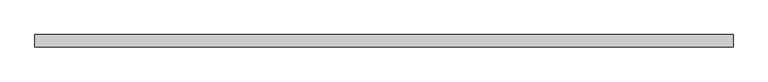
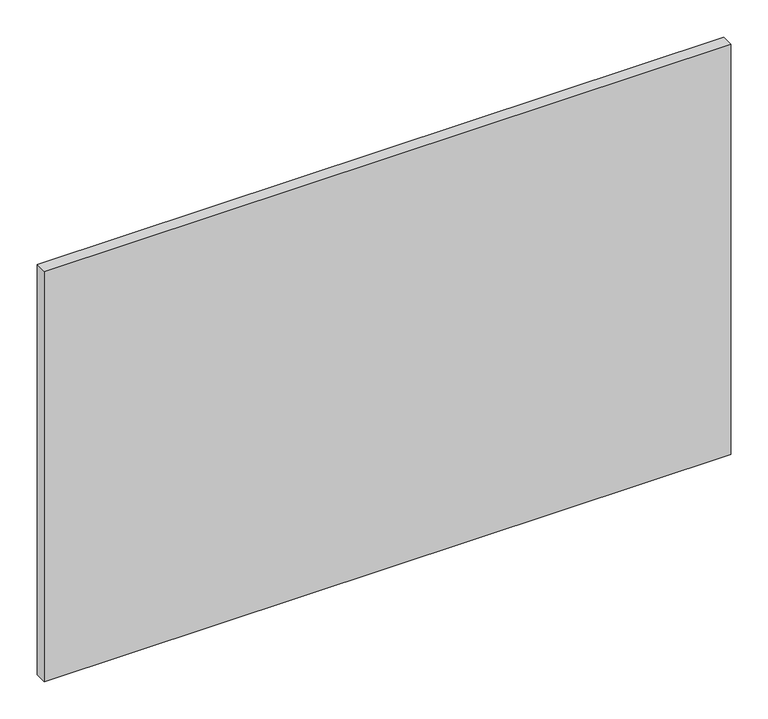
"""IFC4 building model written with IfcOpenShell, lengths in millimetres: proxy geometry."""

import ifcopenshell
import ifcopenshell.guid

model = None  # the IFC model being written
_history = None  # IfcOwnerHistory: only IFC2X3 demands one
_inside = {}  # id of a spatial element -> (the spatial element, [elements in it])
_under = {}  # id of a project, library or spatial element -> (it, [spatial elements below it])
_declared = {}  # id of a project -> (the project, [libraries it declares])
_typed = {}  # id of a type object -> (the type object, [elements of that type])
_made_of = {}  # id of a material, layer set ... -> (it, [elements and type objects made of it])


def new_model(schema):
    """Start an empty IFC model of exactly this schema.

    Asked for "IFC4X3", IfcOpenShell would pick the latest addendum, in which some entities
    have other attributes; the version numbers below select the first issue.
    IFC2X3 requires an IfcOwnerHistory on every rooted entity: one is made here for all.
    """
    global model, _history
    if schema == "IFC4X3":
        model = ifcopenshell.file(schema_version=(4, 3, 0, 0))
    else:
        model = ifcopenshell.file(schema=schema)
    _inside.clear()
    _under.clear()
    _declared.clear()
    _typed.clear()
    _made_of.clear()
    _history = None
    if model.schema == "IFC2X3":
        org = make("IfcOrganization", Name="unknown")
        user = make(
            "IfcPersonAndOrganization",
            ThePerson=make("IfcPerson", FamilyName="unknown"),
            TheOrganization=org,
        )
        app = make(
            "IfcApplication",
            ApplicationDeveloper=org,
            Version="unknown",
            ApplicationFullName="unknown",
            ApplicationIdentifier="unknown",
        )
        _history = make(
            "IfcOwnerHistory",
            OwningUser=user,
            OwningApplication=app,
            ChangeAction="ADDED",
            CreationDate=0,
        )
    return model


def make(cls, **values):
    """One entity of the class cls with the attributes given. An attribute that is None is left unset."""
    return model.create_entity(
        cls, **{name: value for name, value in values.items() if value is not None}
    )


def rooted(cls, **values):
    """An entity with a GlobalId (a new one), such as an element, a storey or a relation."""
    return make(cls, GlobalId=ifcopenshell.guid.new(), OwnerHistory=_history, **values)


def si_unit(unit_type, name, prefix=None):
    """IfcSIUnit, for example si_unit("LENGTHUNIT", "METRE", prefix="MILLI")."""
    return make("IfcSIUnit", UnitType=unit_type, Prefix=prefix, Name=name)


def assignment(units):
    """IfcUnitAssignment: the units of a project."""
    return None if units is None else make("IfcUnitAssignment", Units=units)


def point(xyz):
    """IfcCartesianPoint."""
    return None if xyz is None else make("IfcCartesianPoint", Coordinates=xyz)


def direction(xyz):
    """IfcDirection."""
    return None if xyz is None else make("IfcDirection", DirectionRatios=xyz)


def frame(location, z_axis=None, x_axis=None):
    """IfcAxis2Placement3D, a coordinate frame: its origin and axes. An axis left out is left unset."""
    return make(
        "IfcAxis2Placement3D",
        Location=point(location),
        Axis=direction(z_axis),
        RefDirection=direction(x_axis),
    )


def origin():
    """The frame at (0, 0, 0) with its axes left unset."""
    return frame((0.0, 0.0, 0.0))


def place(relative_to, where):
    """IfcLocalPlacement: puts the frame where relative to a parent placement (None: the world)."""
    return make(
        "IfcLocalPlacement", PlacementRelTo=relative_to, RelativePlacement=where
    )


def context(
    kind, dimensions, precision=None, world=None, true_north=None, identifier=None
):
    """IfcGeometricRepresentationContext, for example the 3D "Model" context."""
    return make(
        "IfcGeometricRepresentationContext",
        ContextIdentifier=identifier,
        ContextType=kind,
        CoordinateSpaceDimension=dimensions,
        Precision=precision,
        WorldCoordinateSystem=world,
        TrueNorth=true_north,
    )


def project(units=None, contexts=None):
    """IfcProject with its units and contexts."""
    return rooted(
        "IfcProject",
        Name="project",
        RepresentationContexts=contexts,
        UnitsInContext=assignment(units),
    )


def spatial(cls, under=None, at=None, **own):
    """A site, building, storey or space (cls), placed at a placement, below another one or the project."""
    s = rooted(cls, ObjectPlacement=at, **own)
    if under is not None:
        _under.setdefault(under.id(), (under, []))[1].append(s)
    return s


def polyline(points):
    """IfcPolyline through the points."""
    return make("IfcPolyline", Points=[point(p) for p in points])


def outline(outer, holes=None, kind="AREA"):
    """IfcArbitraryClosedProfileDef: a profile drawn as a closed curve; with holes, ...WithVoids."""
    if holes is None:
        return make("IfcArbitraryClosedProfileDef", ProfileType=kind, OuterCurve=outer)
    return make(
        "IfcArbitraryProfileDefWithVoids",
        ProfileType=kind,
        OuterCurve=outer,
        InnerCurves=holes,
    )


def extrude(swept, where, along, depth):
    """IfcExtrudedAreaSolid: the profile swept, set in the frame where, extruded along a direction by depth."""
    return make(
        "IfcExtrudedAreaSolid",
        SweptArea=swept,
        Position=where,
        ExtrudedDirection=direction(along),
        Depth=depth,
    )


def shape(context_of_items, identifier, shape_type, items):
    """IfcShapeRepresentation: the items that make up one representation, for example the "Body"."""
    return make(
        "IfcShapeRepresentation",
        ContextOfItems=context_of_items,
        RepresentationIdentifier=identifier,
        RepresentationType=shape_type,
        Items=items,
    )


def source(mapping_origin, context_of_items, identifier, shape_type, items):
    """IfcRepresentationMap: a shape defined once, which mapped items show again and again."""
    return make(
        "IfcRepresentationMap",
        MappingOrigin=mapping_origin,
        MappedRepresentation=shape(context_of_items, identifier, shape_type, items),
    )


def transform(
    local_origin,
    x_axis=None,
    y_axis=None,
    z_axis=None,
    scale=None,
    scale2=None,
    scale3=None,
    uniform=True,
):
    """IfcCartesianTransformationOperator3D, or its non-uniform kind. x_axis, y_axis, z_axis: its Axis1, 2, 3."""
    if uniform:
        return make(
            "IfcCartesianTransformationOperator3D",
            Axis1=direction(x_axis),
            Axis2=direction(y_axis),
            LocalOrigin=point(local_origin),
            Scale=scale,
            Axis3=direction(z_axis),
        )
    return make(
        "IfcCartesianTransformationOperator3DnonUniform",
        Axis1=direction(x_axis),
        Axis2=direction(y_axis),
        LocalOrigin=point(local_origin),
        Scale=scale,
        Axis3=direction(z_axis),
        Scale2=scale2,
        Scale3=scale3,
    )


def mapped(mapping_source, mapping_target):
    """IfcMappedItem: shows the shape of a source again, moved by a transform."""
    return make(
        "IfcMappedItem", MappingSource=mapping_source, MappingTarget=mapping_target
    )


def made_of(thing, what):
    """Note that an element or type object is made of a material, layer set ...; save() writes the relation."""
    if what is not None:
        _made_of.setdefault(what.id(), (what, []))[1].append(thing)
    return thing


def element(
    cls,
    number,
    at=None,
    inside=None,
    cuts=None,
    type_object=None,
    material=None,
    context=None,
    identifier="Body",
    shape_type=None,
    held_by="IfcProductDefinitionShape",
    body=None,
    shapes=None,
    **own,
):
    """One element of the class cls, such as IfcWall. Its Tag is "e" and its number.

    at: its placement. inside: the storey or other place that contains it. cuts: it is an
    opening in that element (IfcRelVoidsElement). A single representation is given by context,
    identifier, shape_type and body (its items); several are given by shapes. held_by: the class
    of the entity that holds the representations. save() writes the other relations.
    """
    e = rooted(cls, Tag="e%d" % number, ObjectPlacement=at, **own)
    if body is not None:
        shapes = [shape(context, identifier, shape_type, body)]
    if shapes is not None:
        e.Representation = make(held_by, Representations=shapes)
    if inside is not None:
        _inside.setdefault(inside.id(), (inside, []))[1].append(e)
    if cuts is not None:
        rooted(
            "IfcRelVoidsElement", RelatingBuildingElement=cuts, RelatedOpeningElement=e
        )
    if type_object is not None:
        _typed.setdefault(type_object.id(), (type_object, []))[1].append(e)
    return made_of(e, material)


def aggregate(whole, parts):
    """IfcRelAggregates: a whole, such as a stair, and the parts it consists of."""
    return rooted("IfcRelAggregates", RelatingObject=whole, RelatedObjects=parts)


def save(model, path):
    """Write the relations noted so far, then the file.

    IfcRelAggregates (storeys below a building ...), IfcRelContainedInSpatialStructure (elements
    in a storey), IfcRelDefinesByType, IfcRelAssociatesMaterial and IfcRelDeclares: one each for
    every whole, place, type object, material and project.
    """
    for whole, parts in _under.values():
        aggregate(whole, parts)
    for where, things in _inside.values():
        rooted(
            "IfcRelContainedInSpatialStructure",
            RelatedElements=things,
            RelatingStructure=where,
        )
    for kind, things in _typed.values():
        rooted("IfcRelDefinesByType", RelatedObjects=things, RelatingType=kind)
    for what, things in _made_of.values():
        rooted("IfcRelAssociatesMaterial", RelatedObjects=things, RelatingMaterial=what)
    for by, libraries in _declared.values():
        rooted("IfcRelDeclares", RelatingContext=by, RelatedDefinitions=libraries)
    model.write(path)


def specialty_equipment_066f72cb(model_context):
    return source(origin(), model_context, "Body", "SweptSolid", [
        extrude(outline(polyline([(531.5249999, 0.0), (531.5249999, -19.05), (-531.5249999, -19.05), (-531.5249999, 0.0), (531.5249999, 0.0)])), frame((0.0, 0.0, 3.175), z_axis=(0.0, 0.0, 1.0), x_axis=(1.0, 0.0, 0.0)), (0.0, 0.0, 1.0), 672.2618001),
    ])


if __name__ == "__main__":
    model = new_model("IFC4")
    model_context = context("Model", 3, world=origin())
    ifc_project = project(units=[si_unit("LENGTHUNIT", "METRE", prefix="MILLI")], contexts=[model_context])
    site = spatial("IfcSite", under=ifc_project)
    building = spatial("IfcBuilding", under=site)
    placement = place(None, origin())
    specialty_equipment_shape = specialty_equipment_066f72cb(model_context)
    element("IfcBuildingElementProxy", 1, Name="Specialty Equipment", at=placement, inside=building, context=model_context, shape_type="MappedRepresentation", body=[
        mapped(specialty_equipment_shape, transform((0.0, 0.0, 0.0), x_axis=(1.0, 0.0, 0.0), y_axis=(0.0, 1.0, 0.0), z_axis=(0.0, 0.0, 1.0))),
    ])
    save(model, "model.ifc")
